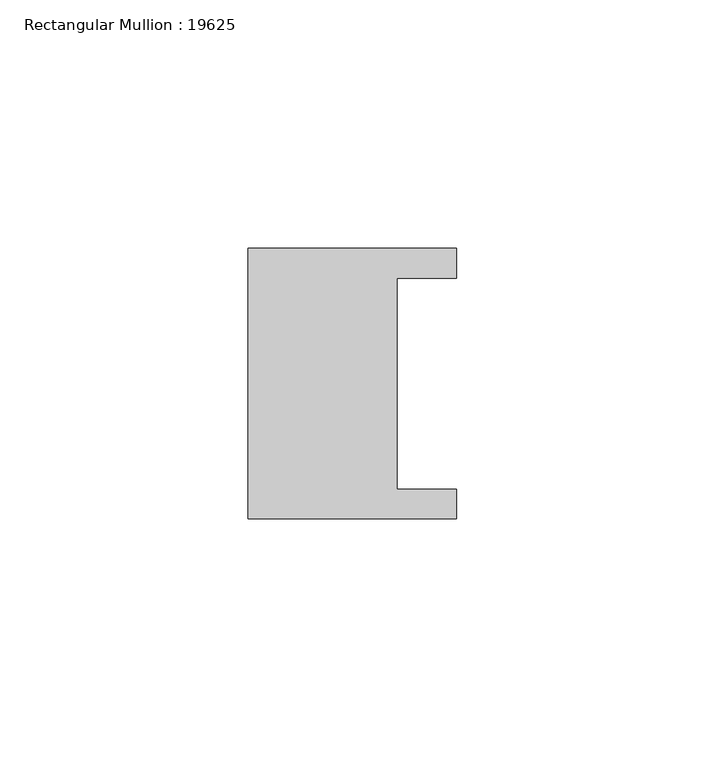
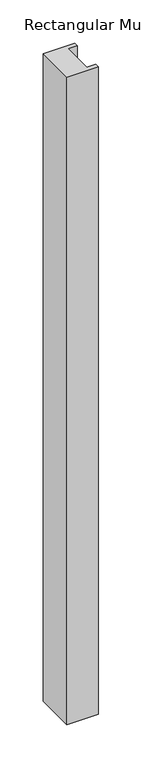
"""IFC4 building model written with IfcOpenShell, lengths in millimetres: member geometry, Rectangular Mullion : 19625."""

from ifc_helpers import new_model, si_unit, frame, origin, place, context, project, spatial, polyline, outline, extrude, source, transform, mapped, element, save


def rectangular_mullion_19625_e843a006(model_context):
    return source(origin(), model_context, "Body", "SweptSolid", [
        extrude(outline(polyline([(-42.0, -27.25), (-42.0, 27.25), (0.0, 27.25), (0.0, 21.25), (-12.0, 21.25), (-12.0, -21.25), (0.0, -21.25), (0.0, -27.25), (-42.0, -27.25)])), frame((0.0, 0.0, -912.1768639), z_axis=(0.0, 0.0, 1.0), x_axis=(1.0, 0.0, 0.0)), (0.0, 0.0, 1.0), 912.1768639),
    ])


if __name__ == "__main__":
    model = new_model("IFC4")
    model_context = context("Model", 3, world=origin())
    ifc_project = project(units=[si_unit("LENGTHUNIT", "METRE", prefix="MILLI")], contexts=[model_context])
    site = spatial("IfcSite", under=ifc_project)
    building = spatial("IfcBuilding", under=site)
    placement = place(None, origin())
    rectangular_mullion_19625_shape = rectangular_mullion_19625_e843a006(model_context)
    element("IfcMember", 1, ObjectType="Rectangular Mullion : 19625", at=placement, inside=building, context=model_context, shape_type="MappedRepresentation", body=[
        mapped(rectangular_mullion_19625_shape, transform((0.0, 0.0, 0.0), x_axis=(1.0, 0.0, 0.0), y_axis=(0.0, 1.0, 0.0), z_axis=(0.0, 0.0, 1.0))),
    ])
    save(model, "model.ifc")
